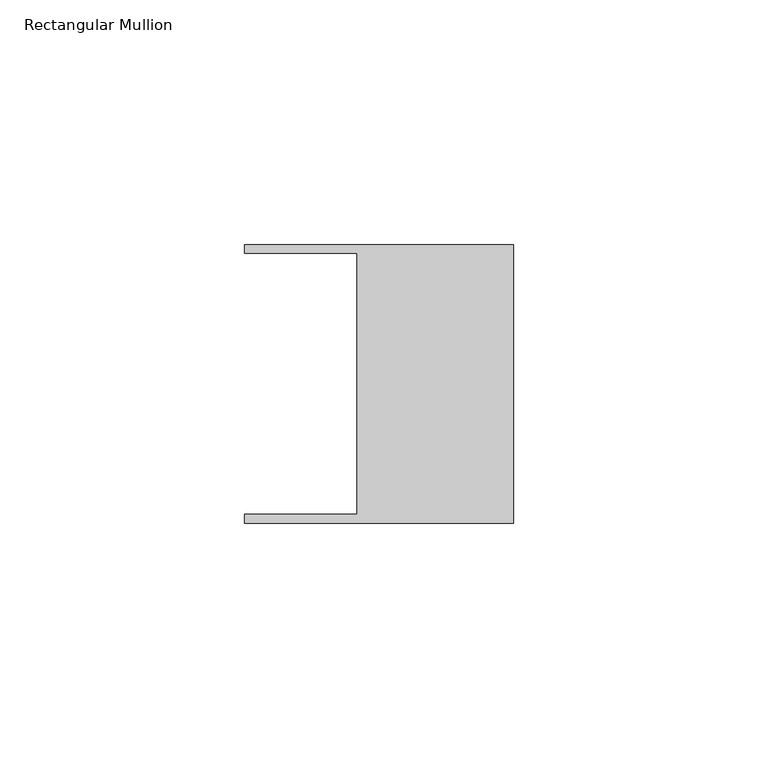
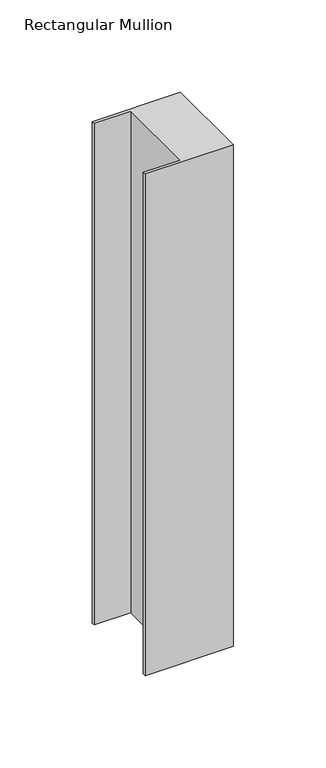
"""IFC4 building model written with IfcOpenShell, lengths in millimetres: member geometry, Rectangular Mullion."""

from ifc_helpers import new_model, si_unit, frame, origin, place, context, project, spatial, polyline, outline, extrude, source, transform, mapped, element, save


def rectangular_mullion_67daca50(model_context):
    return source(origin(), model_context, "Body", "SweptSolid", [
        extrude(outline(polyline([(-32.004, -26.67), (-32.004, 26.67), (-54.991, 26.67), (-54.991, 28.448), (0.0, 28.448), (0.0, -28.448), (-54.991, -28.448), (-54.991, -26.67), (-32.004, -26.67)])), frame((0.0, 0.0, -331.2922), z_axis=(0.0, 0.0, 1.0), x_axis=(1.0, 0.0, 0.0)), (0.0, 0.0, 1.0), 331.2922),
    ])


if __name__ == "__main__":
    model = new_model("IFC4")
    model_context = context("Model", 3, world=origin())
    ifc_project = project(units=[si_unit("LENGTHUNIT", "METRE", prefix="MILLI")], contexts=[model_context])
    site = spatial("IfcSite", under=ifc_project)
    building = spatial("IfcBuilding", under=site)
    placement = place(None, origin())
    rectangular_mullion_shape = rectangular_mullion_67daca50(model_context)
    element("IfcMember", 1, ObjectType="Rectangular Mullion", at=placement, inside=building, context=model_context, shape_type="MappedRepresentation", body=[
        mapped(rectangular_mullion_shape, transform((0.0, 0.0, 0.0), x_axis=(1.0, 0.0, 0.0), y_axis=(0.0, 1.0, 0.0), z_axis=(0.0, 0.0, 1.0))),
    ])
    save(model, "model.ifc")
